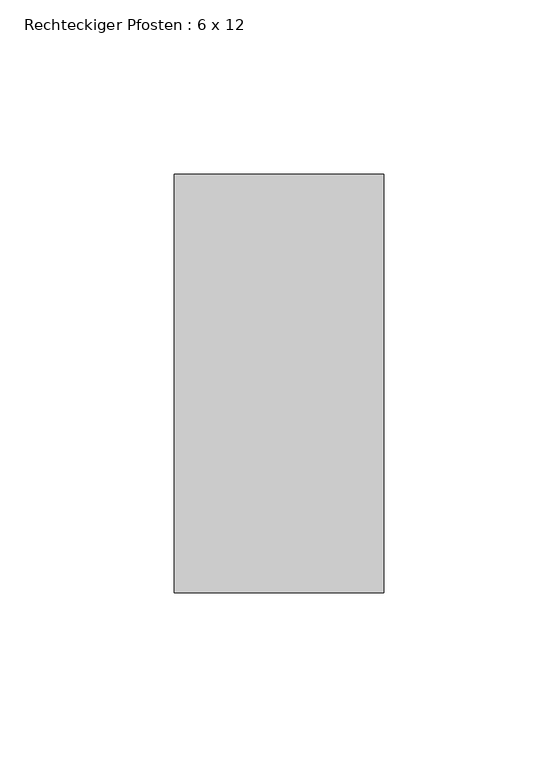
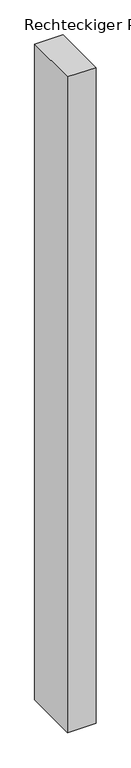
"""IFC4 building model written with IfcOpenShell, lengths in millimetres: member geometry, Rechteckiger Pfosten : 6 x 12."""

from ifc_helpers import new_model, si_unit, frame, origin, place, context, project, spatial, polyline, outline, extrude, source, transform, mapped, element, save


def rechteckiger_pfosten_6_x_12_c554c9e1(model_context):
    return source(origin(), model_context, "Body", "SweptSolid", [
        extrude(outline(polyline([(0.0, 60.0), (0.0, -60.0), (-60.0, -60.0), (-60.0, 60.0), (0.0, 60.0)])), frame((0.0, 0.0, -1465.0294528), z_axis=(0.0, 0.0, 1.0), x_axis=(1.0, 0.0, 0.0)), (0.0, 0.0, 1.0), 1465.0294528),
    ])


if __name__ == "__main__":
    model = new_model("IFC4")
    model_context = context("Model", 3, world=origin())
    ifc_project = project(units=[si_unit("LENGTHUNIT", "METRE", prefix="MILLI")], contexts=[model_context])
    site = spatial("IfcSite", under=ifc_project)
    building = spatial("IfcBuilding", under=site)
    placement = place(None, origin())
    rechteckiger_pfosten_6_x_12_shape = rechteckiger_pfosten_6_x_12_c554c9e1(model_context)
    element("IfcMember", 1, ObjectType="Rechteckiger Pfosten : 6 x 12", at=placement, inside=building, context=model_context, shape_type="MappedRepresentation", body=[
        mapped(rechteckiger_pfosten_6_x_12_shape, transform((0.0, 0.0, 0.0), x_axis=(1.0, 0.0, 0.0), y_axis=(0.0, 1.0, 0.0), z_axis=(0.0, 0.0, 1.0))),
    ])
    save(model, "model.ifc")
